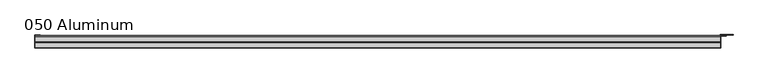
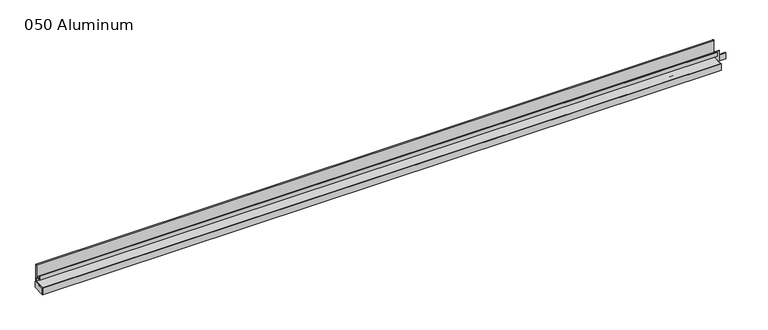
"""IFC4 building model written with IfcOpenShell, lengths in millimetres: plate geometry, 050 Aluminum."""

from ifc_helpers import new_model, si_unit, point, frame, frame_2d, origin, origin_with_axes, place, context, project, spatial, polyline, circle_curve, trimmed, segment, composite_curve, outline, extrude, source, transform, mapped, element, save


def plate_050_aluminum_c2afb0b6(model_context):
    return source(origin(), model_context, "Body", "SweptSolid", [
        extrude(outline(polyline([(-919.4800002, -2.5660257), (-919.4800002, -34.7980001), (-920.7500001, -34.7980001), (-920.7500001, -1.2699999), (-906.5894996, -1.2699999), (-906.5894996, -2.5660257), (-919.4800002, -2.5660257)])), origin_with_axes(), (0.0, 0.0, 1.0), 17.1278561),
        extrude(outline(composite_curve([segment(polyline([(-16.6765477, 13.1458337), (-16.6765477, 2.786437), (-17.9464915, 2.786437), (-17.9464915, 13.1323356)]), True, "CONTINUOUS"), segment(trimmed(circle_curve(frame_2d((-19.8514743, 13.124237)), 1.905), [point((-17.9464915, 13.1323356))], [point((-21.7564743, 13.124237))], True, "CARTESIAN"), True, "CONTINUOUS"), segment(polyline([(-21.7564743, 13.124237), (-21.7564743, 0.0), (-34.7980002, 0.0), (-34.7980002, 1.2693678), (-23.0264743, 1.2693678), (-23.0264743, 13.124237)]), True, "CONTINUOUS"), segment(trimmed(circle_curve(frame_2d((-19.8514743, 13.124237)), 3.175), [point((-23.0264743, 13.124237))], [point((-16.6765477, 13.1458337))], False, "CARTESIAN"), True, "CONTINUOUS")], self_intersect=False)), frame((-919.4800002, 0.0, 0.0), z_axis=(1.0, 0.0, 0.0), x_axis=(0.0, 1.0, 0.0)), (0.0, 0.0, 1.0), 1826.2600003),
        extrude(outline(composite_curve([segment(polyline([(-2.0574743, 65.5910563), (-2.0574743, 17.1278562), (-34.7980002, 17.1278562), (-34.7980002, 18.3978562), (-3.3274743, 18.3978562), (-3.3274743, 65.5910563)]), True, "CONTINUOUS"), segment(trimmed(circle_curve(frame_2d((-3.7084742, 65.5910563)), 0.3809999), [point((-3.3274743, 65.5910563))], [point((-4.0894742, 65.5910563))], True, "CARTESIAN"), True, "CONTINUOUS"), segment(polyline([(-4.0894742, 65.5910563), (-4.0894742, 31.0978561), (-20.4864742, 31.0978561), (-20.4864742, 42.4516561), (-19.2164743, 42.4516561), (-19.2164743, 32.3678562), (-5.3594742, 32.3678562), (-5.3594742, 65.5910563)]), True, "CONTINUOUS"), segment(trimmed(circle_curve(frame_2d((-3.7084742, 65.5910563)), 1.6509999), [point((-5.3594742, 65.5910563))], [point((-2.0574743, 65.5910563))], False, "CARTESIAN"), True, "CONTINUOUS")], self_intersect=False)), frame((-919.4800002, 0.0, 0.0), z_axis=(1.0, 0.0, 0.0), x_axis=(0.0, 1.0, 0.0)), (0.0, 0.0, 1.0), 1826.2600003),
        extrude(outline(polyline([(-920.7500002, -36.068), (-920.7500002, -34.7980001), (908.0500002, -34.7980001), (908.0500002, -36.068), (-920.7500002, -36.068)])), origin_with_axes(), (0.0, 0.0, 1.0), 18.3978562),
        extrude(outline(polyline([(908.0500002, -1.2699999), (908.0500002, -34.7980002), (906.7800002, -34.7980002), (906.7800002, 0.0), (940.5620858, 0.0), (940.5620858, -1.2699999), (908.0500002, -1.2699999)])), origin_with_axes(), (0.0, 0.0, 1.0), 17.1278561),
        extrude(outline(polyline([(906.7800002, -3.3274743), (906.7800002, -2.0574743), (922.5280001, -2.0574743), (922.5280001, -3.3274743), (906.7800002, -3.3274743)])), origin_with_axes(), (0.0, 0.0, 1.0), 31.0978562),
    ])


if __name__ == "__main__":
    model = new_model("IFC4")
    model_context = context("Model", 3, world=origin())
    ifc_project = project(units=[si_unit("LENGTHUNIT", "METRE", prefix="MILLI")], contexts=[model_context])
    site = spatial("IfcSite", under=ifc_project)
    building = spatial("IfcBuilding", under=site)
    placement = place(None, origin())
    plate_050_aluminum_shape = plate_050_aluminum_c2afb0b6(model_context)
    element("IfcPlate", 1, ObjectType="050 Aluminum", at=placement, inside=building, context=model_context, shape_type="MappedRepresentation", body=[
        mapped(plate_050_aluminum_shape, transform((0.0, 0.0, 0.0), x_axis=(1.0, 0.0, 0.0), y_axis=(0.0, 1.0, 0.0), z_axis=(0.0, 0.0, 1.0))),
    ])
    save(model, "model.ifc")
